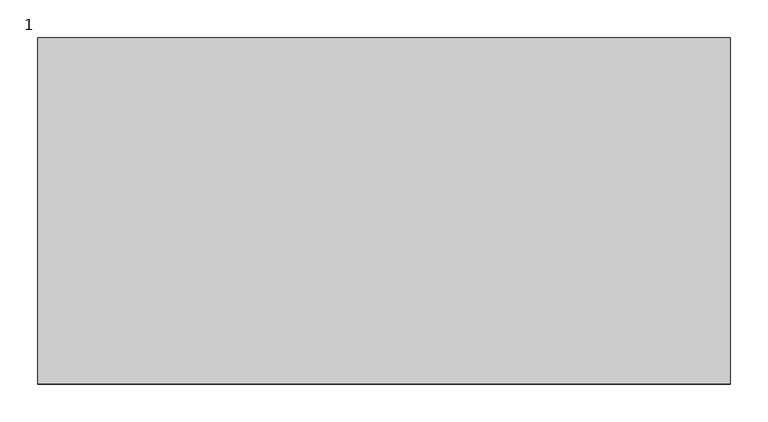
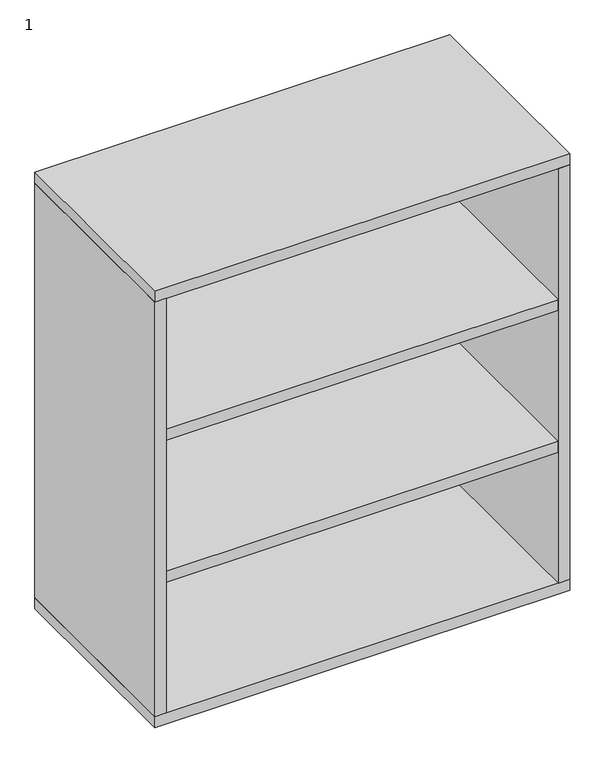
"""IFC4 building model written with IfcOpenShell, lengths in millimetres: furniture geometry, 1."""

from ifc_helpers import new_model, si_unit, point, frame, frame_2d, origin, origin_with_axes, place, context, project, spatial, polyline, circle_curve, trimmed, segment, composite_curve, outline, extrude, source, transform, mapped, element, save


def furniture_1_832c05f7(model_context):
    return source(origin(), model_context, "Body", "SweptSolid", [
        extrude(outline(polyline([(889.0, -12.7), (25.4, -12.7), (25.4, -9.7487804), (889.0, -9.7487804), (889.0, -12.7)])), frame((0.0, 0.0, 38.1), z_axis=(0.0, 0.0, 1.0), x_axis=(1.0, 0.0, 0.0)), (0.0, 0.0, 1.0), 965.2),
        extrude(outline(polyline([(889.0, 0.0), (914.4, 0.0), (914.4, -457.2), (889.0, -457.2), (889.0, 0.0)])), frame((0.0, 0.0, 38.1), z_axis=(0.0, 0.0, 1.0), x_axis=(1.0, 0.0, 0.0)), (0.0, 0.0, 1.0), 965.2),
        extrude(outline(polyline([(25.4, -457.2), (0.0, -457.2), (0.0, 0.0), (25.4, 0.0), (25.4, -457.2)])), frame((0.0, 0.0, 38.1), z_axis=(0.0, 0.0, 1.0), x_axis=(1.0, 0.0, 0.0)), (0.0, 0.0, 1.0), 965.2),
        extrude(outline(polyline([(914.4, 0.0), (914.4, -457.2), (0.0, -457.2), (0.0, 0.0), (914.4, 0.0)])), frame((0.0, 0.0, 1003.3), z_axis=(0.0, 0.0, 1.0), x_axis=(1.0, 0.0, 0.0)), (0.0, 0.0, 1.0), 25.4),
        extrude(outline(polyline([(914.4, -457.2), (0.0, -457.2), (0.0, 0.0), (914.4, 0.0), (914.4, -457.2)])), frame((0.0, 0.0, 12.7), z_axis=(0.0, 0.0, 1.0), x_axis=(1.0, 0.0, 0.0)), (0.0, 0.0, 1.0), 25.4),
        extrude(outline(polyline([(889.0, -457.2), (25.4, -457.2), (25.4, -12.7), (889.0, -12.7), (889.0, -457.2)])), frame((0.0, 0.0, 342.9), z_axis=(0.0, 0.0, 1.0), x_axis=(1.0, 0.0, 0.0)), (0.0, 0.0, 1.0), 25.4),
        extrude(outline(polyline([(889.0, -457.2), (25.4, -457.2), (25.4, -12.7), (889.0, -12.7), (889.0, -457.2)])), frame((0.0, 0.0, 673.1), z_axis=(0.0, 0.0, 1.0), x_axis=(1.0, 0.0, 0.0)), (0.0, 0.0, 1.0), 25.4),
        extrude(outline(composite_curve([segment(trimmed(circle_curve(frame_2d((28.5450835, 863.6)), 0.9921875), [point((28.5450835, 864.5921875))], [point((28.5450835, 862.6078125))], False, "CARTESIAN"), True, "CONTINUOUS"), segment(trimmed(circle_curve(frame_2d((28.5450835, 863.6)), 0.9921875), [point((28.5450835, 862.6078125))], [point((28.5450835, 864.5921875))], False, "CARTESIAN"), True, "CONTINUOUS")], self_intersect=False)), frame((0.0, -432.9785671, 0.0), z_axis=(0.0, 1.0, 0.0), x_axis=(0.0, 0.0, 1.0)), (0.0, 0.0, 1.0), 53.0422756),
        extrude(outline(polyline([(12.7, 832.6896756), (11.7078125, 854.6518893), (11.7078125, 874.0068204), (12.7, 874.0068204), (12.7, 832.6896756)])), frame((0.0, -434.6443623, 0.0), z_axis=(0.0, 1.0, 0.0), x_axis=(0.0, 0.0, 1.0)), (0.0, 0.0, 1.0), 0.9921875),
        extrude(outline(composite_curve([segment(trimmed(circle_curve(frame_2d((28.5450835, 50.8)), 0.9921875), [point((28.5450835, 49.8078125))], [point((28.5450835, 51.7921875))], False, "CARTESIAN"), True, "CONTINUOUS"), segment(trimmed(circle_curve(frame_2d((28.5450835, 50.8)), 0.9921875), [point((28.5450835, 51.7921875))], [point((28.5450835, 49.8078125))], False, "CARTESIAN"), True, "CONTINUOUS")], self_intersect=False)), frame((0.0, -432.9785671, 0.0), z_axis=(0.0, 1.0, 0.0), x_axis=(0.0, 0.0, 1.0)), (0.0, 0.0, 1.0), 53.0422756),
        extrude(outline(polyline([(12.7, 81.7103244), (12.7, 40.3931796), (11.7078125, 40.3931796), (11.7078125, 59.7481107), (12.7, 81.7103244)])), frame((0.0, -434.6443623, 0.0), z_axis=(0.0, 1.0, 0.0), x_axis=(0.0, 0.0, 1.0)), (0.0, 0.0, 1.0), 0.9921875),
        extrude(outline(composite_curve([segment(trimmed(circle_curve(frame_2d((28.5450835, 863.6)), 0.9921875), [point((28.5450835, 864.5921875))], [point((28.5450835, 862.6078125))], False, "CARTESIAN"), True, "CONTINUOUS"), segment(trimmed(circle_curve(frame_2d((28.5450835, 863.6)), 0.9921875), [point((28.5450835, 862.6078125))], [point((28.5450835, 864.5921875))], False, "CARTESIAN"), True, "CONTINUOUS")], self_intersect=False)), frame((0.0, -77.2637085, 0.0), z_axis=(0.0, 1.0, 0.0), x_axis=(0.0, 0.0, 1.0)), (0.0, 0.0, 1.0), 53.0422756),
        extrude(outline(polyline([(12.7, 832.6896756), (11.7078125, 854.6518893), (11.7078125, 874.0068204), (12.7, 874.0068204), (12.7, 832.6896756)])), frame((0.0, -23.5478252, 0.0), z_axis=(0.0, 1.0, 0.0), x_axis=(0.0, 0.0, 1.0)), (0.0, 0.0, 1.0), 0.9921875),
        extrude(outline(composite_curve([segment(trimmed(circle_curve(frame_2d((28.5450835, 50.8)), 0.9921875), [point((28.5450835, 49.8078125))], [point((28.5450835, 51.7921875))], False, "CARTESIAN"), True, "CONTINUOUS"), segment(trimmed(circle_curve(frame_2d((28.5450835, 50.8)), 0.9921875), [point((28.5450835, 51.7921875))], [point((28.5450835, 49.8078125))], False, "CARTESIAN"), True, "CONTINUOUS")], self_intersect=False)), frame((0.0, -77.2637085, 0.0), z_axis=(0.0, 1.0, 0.0), x_axis=(0.0, 0.0, 1.0)), (0.0, 0.0, 1.0), 53.0422756),
        extrude(outline(polyline([(12.7, 81.7103244), (12.7, 40.3931796), (11.7078125, 40.3931796), (11.7078125, 59.7481107), (12.7, 81.7103244)])), frame((0.0, -23.5478252, 0.0), z_axis=(0.0, 1.0, 0.0), x_axis=(0.0, 0.0, 1.0)), (0.0, 0.0, 1.0), 0.9921875),
        extrude(outline(composite_curve([segment(trimmed(circle_curve(frame_2d((850.9, -406.4)), 15.9254799), [point((866.8254799, -406.4))], [point((834.9745201, -406.4))], False, "CARTESIAN"), True, "CONTINUOUS"), segment(trimmed(circle_curve(frame_2d((850.9, -406.4)), 15.9254799), [point((834.9745201, -406.4))], [point((866.8254799, -406.4))], False, "CARTESIAN"), True, "CONTINUOUS")], self_intersect=False)), origin_with_axes(), (0.0, 0.0, 1.0), 7.9375),
        extrude(outline(composite_curve([segment(trimmed(circle_curve(frame_2d((850.9, -406.4)), 10.16), [point((861.06, -406.4))], [point((840.74, -406.4))], False, "CARTESIAN"), True, "CONTINUOUS"), segment(trimmed(circle_curve(frame_2d((850.9, -406.4)), 10.16), [point((840.74, -406.4))], [point((861.06, -406.4))], False, "CARTESIAN"), True, "CONTINUOUS")], self_intersect=False)), frame((0.0, 0.0, 7.9375), z_axis=(0.0, 0.0, 1.0), x_axis=(1.0, 0.0, 0.0)), (0.0, 0.0, 1.0), 4.7625),
        extrude(outline(composite_curve([segment(trimmed(circle_curve(frame_2d((850.9, -50.8)), 15.9254799), [point((866.8254799, -50.8))], [point((834.9745201, -50.8))], False, "CARTESIAN"), True, "CONTINUOUS"), segment(trimmed(circle_curve(frame_2d((850.9, -50.8)), 15.9254799), [point((834.9745201, -50.8))], [point((866.8254799, -50.8))], False, "CARTESIAN"), True, "CONTINUOUS")], self_intersect=False)), origin_with_axes(), (0.0, 0.0, 1.0), 7.9375),
        extrude(outline(composite_curve([segment(trimmed(circle_curve(frame_2d((850.9, -50.8)), 10.16), [point((861.06, -50.8))], [point((840.74, -50.8))], False, "CARTESIAN"), True, "CONTINUOUS"), segment(trimmed(circle_curve(frame_2d((850.9, -50.8)), 10.16), [point((840.74, -50.8))], [point((861.06, -50.8))], False, "CARTESIAN"), True, "CONTINUOUS")], self_intersect=False)), frame((0.0, 0.0, 7.9375), z_axis=(0.0, 0.0, 1.0), x_axis=(1.0, 0.0, 0.0)), (0.0, 0.0, 1.0), 4.7625),
        extrude(outline(composite_curve([segment(trimmed(circle_curve(frame_2d((63.5, -406.4)), 15.9254799), [point((47.5745201, -406.4))], [point((79.4254799, -406.4))], False, "CARTESIAN"), True, "CONTINUOUS"), segment(trimmed(circle_curve(frame_2d((63.5, -406.4)), 15.9254799), [point((79.4254799, -406.4))], [point((47.5745201, -406.4))], False, "CARTESIAN"), True, "CONTINUOUS")], self_intersect=False)), origin_with_axes(), (0.0, 0.0, 1.0), 7.9375),
        extrude(outline(composite_curve([segment(trimmed(circle_curve(frame_2d((63.5, -406.4)), 10.16), [point((53.34, -406.4))], [point((73.66, -406.4))], False, "CARTESIAN"), True, "CONTINUOUS"), segment(trimmed(circle_curve(frame_2d((63.5, -406.4)), 10.16), [point((73.66, -406.4))], [point((53.34, -406.4))], False, "CARTESIAN"), True, "CONTINUOUS")], self_intersect=False)), frame((0.0, 0.0, 7.9375), z_axis=(0.0, 0.0, 1.0), x_axis=(1.0, 0.0, 0.0)), (0.0, 0.0, 1.0), 4.7625),
        extrude(outline(composite_curve([segment(trimmed(circle_curve(frame_2d((63.5, -50.8)), 15.9254799), [point((47.5745201, -50.8))], [point((79.4254799, -50.8))], False, "CARTESIAN"), True, "CONTINUOUS"), segment(trimmed(circle_curve(frame_2d((63.5, -50.8)), 15.9254799), [point((79.4254799, -50.8))], [point((47.5745201, -50.8))], False, "CARTESIAN"), True, "CONTINUOUS")], self_intersect=False)), origin_with_axes(), (0.0, 0.0, 1.0), 7.9375),
        extrude(outline(composite_curve([segment(trimmed(circle_curve(frame_2d((63.5, -50.8)), 10.16), [point((53.34, -50.8))], [point((73.66, -50.8))], False, "CARTESIAN"), True, "CONTINUOUS"), segment(trimmed(circle_curve(frame_2d((63.5, -50.8)), 10.16), [point((73.66, -50.8))], [point((53.34, -50.8))], False, "CARTESIAN"), True, "CONTINUOUS")], self_intersect=False)), frame((0.0, 0.0, 7.9375), z_axis=(0.0, 0.0, 1.0), x_axis=(1.0, 0.0, 0.0)), (0.0, 0.0, 1.0), 4.7625),
    ])


if __name__ == "__main__":
    model = new_model("IFC4")
    model_context = context("Model", 3, world=origin())
    ifc_project = project(units=[si_unit("LENGTHUNIT", "METRE", prefix="MILLI")], contexts=[model_context])
    site = spatial("IfcSite", under=ifc_project)
    building = spatial("IfcBuilding", under=site)
    placement = place(None, origin())
    furniture_1_shape = furniture_1_832c05f7(model_context)
    element("IfcFurniture", 1, ObjectType="1", at=placement, inside=building, context=model_context, shape_type="MappedRepresentation", body=[
        mapped(furniture_1_shape, transform((0.0, 0.0, 0.0), x_axis=(1.0, 0.0, 0.0), y_axis=(0.0, 1.0, 0.0), z_axis=(0.0, 0.0, 1.0))),
    ])
    save(model, "model.ifc")
